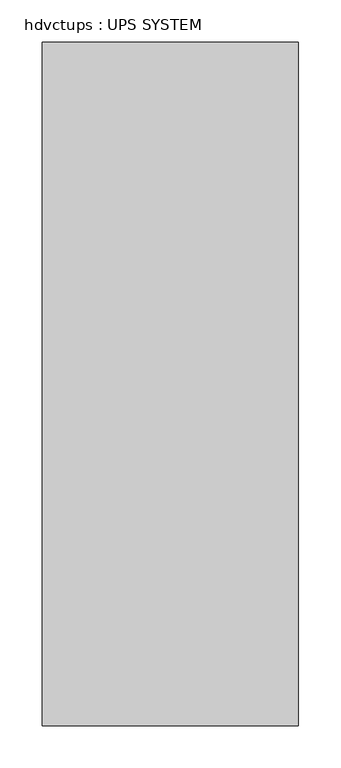
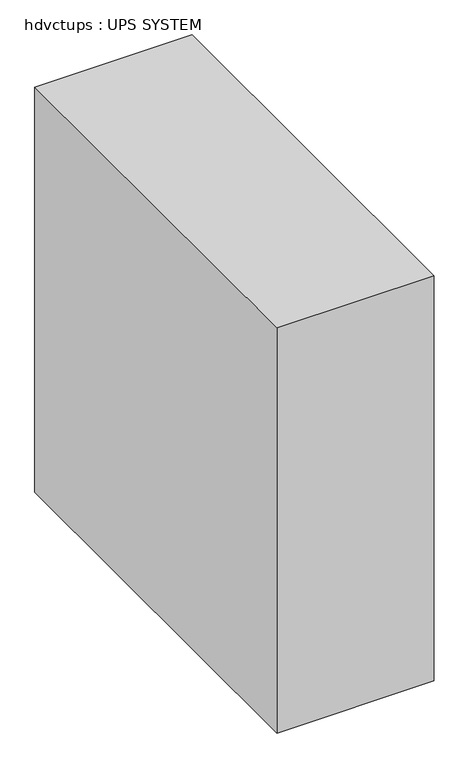
"""IFC4 building model written with IfcOpenShell, lengths in millimetres: proxy geometry, hdvctups : UPS SYSTEM."""

from ifc_helpers import new_model, si_unit, origin, origin_with_axes, place, context, project, spatial, polyline, outline, extrude, source, transform, mapped, element, save


def hdvctups_ups_system_4de852ac(model_context):
    return source(origin(), model_context, "Body", "SweptSolid", [
        extrude(outline(polyline([(152.4, 0.0), (152.4, -812.8), (-152.4, -812.8), (-152.4, 0.0), (152.4, 0.0)])), origin_with_axes(), (0.0, 0.0, 1.0), 830.58),
    ])


if __name__ == "__main__":
    model = new_model("IFC4")
    model_context = context("Model", 3, world=origin())
    ifc_project = project(units=[si_unit("LENGTHUNIT", "METRE", prefix="MILLI")], contexts=[model_context])
    site = spatial("IfcSite", under=ifc_project)
    building = spatial("IfcBuilding", under=site)
    placement = place(None, origin())
    hdvctups_ups_system_shape = hdvctups_ups_system_4de852ac(model_context)
    element("IfcBuildingElementProxy", 1, Name="hdvctups : UPS SYSTEM", ObjectType="hdvctups : UPS SYSTEM", at=placement, inside=building, context=model_context, shape_type="MappedRepresentation", body=[
        mapped(hdvctups_ups_system_shape, transform((0.0, 0.0, 0.0), x_axis=(1.0, 0.0, 0.0), y_axis=(0.0, 1.0, 0.0), z_axis=(0.0, 0.0, 1.0))),
    ])
    save(model, "model.ifc")
